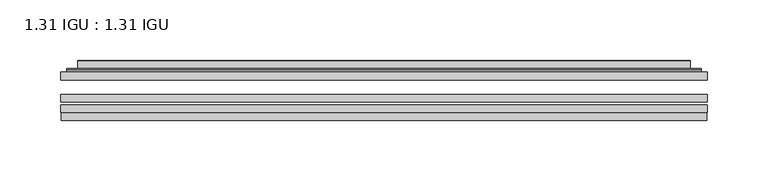
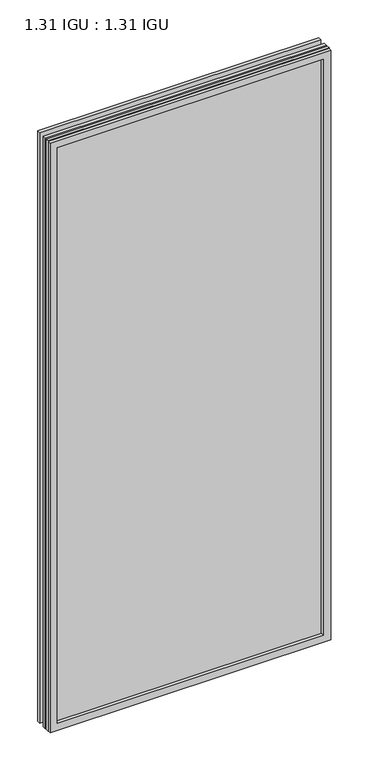
"""IFC4 building model written with IfcOpenShell, lengths in millimetres: plate geometry, 1.31 IGU : 1.31 IGU."""

from ifc_helpers import new_model, si_unit, frame, origin, place, context, project, spatial, polyline, ellipse_curve, outline, extrude, faceted_brep, source, transform, mapped, element, save
from ifc_brep_helpers import plane_surface, cylinder_surface, advanced_brep


def plate_1_31_igu_1_31_igu_0b64ee3a(model_context):
    return source(origin(), model_context, "Body", "SolidModel", [
        extrude(outline(polyline([(266.714175, -63.59525), (266.714175, -69.94525), (-266.7, -69.94525), (-266.7, -63.59525), (266.714175, -63.59525)])), frame((0.0, 0.0, -14.2875), z_axis=(0.0, 0.0, 1.0), x_axis=(1.0, 0.0, 0.0)), (0.0, 0.0, 1.0), 1184.2787979),
        extrude(outline(polyline([(-266.7, -78.58125), (-266.7, -72.230745), (266.714175, -72.230745), (266.714175, -78.58125), (-266.7, -78.58125)])), frame((0.0, 0.0, -14.2875), z_axis=(0.0, 0.0, 1.0), x_axis=(1.0, 0.0, 0.0)), (0.0, 0.0, 1.0), 1184.2787979),
        extrude(outline(polyline([(266.714175, -45.25645), (266.714175, -51.60645), (-266.7, -51.60645), (-266.7, -45.25645), (266.714175, -45.25645)])), frame((0.0, 0.0, -14.2875), z_axis=(0.0, 0.0, 1.0), x_axis=(1.0, 0.0, 0.0)), (0.0, 0.0, 1.0), 1184.2787979),
        faceted_brep([(-265.9998142, -84.93125, 1169.2873142), (-265.9998142, -78.58125, 1169.2873142), (-265.9998142, -78.58125, -13.5873142), (-265.9998142, -84.93125, -13.5873142), (265.9998142, -78.58125, -13.5873142), (265.9998142, -84.93125, -13.5873142), (265.9998142, -78.58125, 1169.2873142), (265.9998142, -84.93125, 1169.2873142), (-251.5147559, -78.58125, 0.8977441), (251.5147559, -78.58125, 0.8977441), (251.5147559, -78.58125, 1154.8022559), (-251.5147559, -78.58125, 1154.8022559), (-252.4071902, -84.93125, 1155.6946902), (252.4071902, -84.93125, 1155.6946902), (252.4071902, -84.93125, 0.0053098), (-252.4071902, -84.93125, 0.0053098)], [[[0, 1, 2, 3]], [[3, 2, 4, 5]], [[5, 4, 6, 7]], [[1, 6, 4, 2], [8, 9, 10, 11]], [[7, 6, 1, 0]], [[3, 5, 7, 0], [12, 13, 14, 15]], [[11, 12, 15, 8]], [[8, 15, 14, 9]], [[9, 14, 13, 10]], [[10, 13, 12, 11]]]),
        advanced_brep(
        [(-259.458719, -45.25645, 1162.746219), (-261.8129244, -43.2667833, 1165.1004244), (-261.8129244, -43.2667833, -9.4004244), (-259.458719, -45.25645, -7.046219), (-250.3843939, -41.416413, 1153.6718939), (-245.4495621, -45.25645, 1148.7370621), (-245.4495621, -45.25645, 6.9629379), (-250.3843939, -41.416413, 2.0281061), (-251.4164217, -36.0191819, 1154.7039217), (-251.4164217, -36.0191819, 0.9960783), (-252.4070784, -35.6202069, 1155.6945784), (-252.4070784, -35.6202069, 0.0054216), (-252.4070784, -42.08145, 1155.6945784), (-252.4070784, -42.08145, 0.0054216), (-260.8111349, -42.08145, 1164.0986349), (-260.8111349, -42.08145, -8.3986349), (261.8129244, -43.2667833, -9.4004244), (259.458719, -45.25645, -7.046219), (245.4495621, -45.25645, 6.9629379), (250.3843939, -41.416413, 2.0281061), (251.4164217, -36.0191819, 0.9960783), (252.4070784, -35.6202069, 0.0054216), (252.4070784, -42.08145, 0.0054216), (260.8111349, -42.08145, -8.3986349), (261.8129244, -43.2667833, 1165.1004244), (259.458719, -45.25645, 1162.746219), (245.4495621, -45.25645, 1148.7370621), (250.3843939, -41.416413, 1153.6718939), (251.4164217, -36.0191819, 1154.7039217), (252.4070784, -35.6202069, 1155.6945784), (252.4070784, -42.08145, 1155.6945784), (260.8111349, -42.08145, 1164.0986349)],
        [
            (0, 1, ellipse_curve(frame((-259.458719, -42.86885, 1162.746219), z_axis=(-0.7071067811865475, 0.0, -0.7071067811865475), x_axis=(-0.7071067811865474, 0.0, 0.7071067811865476)), 3.3765763, 2.3876)),
            (1, 2),
            (2, 3, ellipse_curve(frame((-259.458719, -42.86885, -7.046219), z_axis=(-0.7071067811865475, 0.0, 0.7071067811865475), x_axis=(0.7071067811865474, 0.0, 0.7071067811865476)), 3.3765763, 2.3876)),
            (3, 0),
            (4, 5),
            (5, 6),
            (6, 7),
            (7, 4),
            (8, 4),
            (7, 9),
            (9, 8),
            (10, 8, ellipse_curve(frame((-252.0401219, -36.1384423, 1155.3276219), z_axis=(-0.7071067811865475, 0.0, -0.7071067811865475), x_axis=(-0.7071067811865474, 0.0, 0.7071067811865476)), 0.8980256, 0.635)),
            (9, 11, ellipse_curve(frame((-252.0401219, -36.1384423, 0.3723781), z_axis=(-0.7071067811865475, 0.0, 0.7071067811865475), x_axis=(0.7071067811865474, 0.0, 0.7071067811865476)), 0.8980256, 0.635)),
            (11, 10),
            (12, 10),
            (11, 13),
            (13, 12),
            (1, 14, ellipse_curve(frame((-260.8111349, -43.09745, 1164.0986349), z_axis=(-0.7071067811865475, 0.0, -0.7071067811865475), x_axis=(-0.7071067811865474, 0.0, 0.7071067811865476)), 1.436841, 1.016)),
            (14, 15),
            (15, 2, ellipse_curve(frame((-260.8111349, -43.09745, -8.3986349), z_axis=(-0.7071067811865475, 0.0, 0.7071067811865475), x_axis=(0.7071067811865474, 0.0, 0.7071067811865476)), 1.436841, 1.016)),
            (2, 16),
            (16, 17, ellipse_curve(frame((259.458719, -42.86885, -7.046219), z_axis=(-0.7071067811865475, 0.0, -0.7071067811865475), x_axis=(-0.7071067811865476, 0.0, 0.7071067811865474)), 3.3765763, 2.3876)),
            (17, 3),
            (6, 18),
            (18, 19),
            (19, 7),
            (19, 20),
            (20, 9),
            (20, 21, ellipse_curve(frame((252.0401219, -36.1384423, 0.3723781), z_axis=(-0.7071067811865475, 0.0, -0.7071067811865475), x_axis=(-0.7071067811865476, 0.0, 0.7071067811865474)), 0.8980256, 0.635)),
            (21, 11),
            (21, 22),
            (22, 13),
            (15, 23),
            (23, 16, ellipse_curve(frame((260.8111349, -43.09745, -8.3986349), z_axis=(-0.7071067811865475, 0.0, -0.7071067811865475), x_axis=(-0.7071067811865476, 0.0, 0.7071067811865474)), 1.436841, 1.016)),
            (16, 24),
            (24, 25, ellipse_curve(frame((259.458719, -42.86885, 1162.746219), z_axis=(0.7071067811865475, 0.0, -0.7071067811865475), x_axis=(-0.7071067811865474, 0.0, -0.7071067811865476)), 3.3765763, 2.3876)),
            (25, 17),
            (18, 26),
            (26, 27),
            (27, 19),
            (27, 28),
            (28, 20),
            (28, 29, ellipse_curve(frame((252.0401219, -36.1384423, 1155.3276219), z_axis=(0.7071067811865475, 0.0, -0.7071067811865475), x_axis=(-0.7071067811865474, 0.0, -0.7071067811865476)), 0.8980256, 0.635)),
            (29, 21),
            (29, 30),
            (30, 22),
            (23, 31),
            (31, 24, ellipse_curve(frame((260.8111349, -43.09745, 1164.0986349), z_axis=(0.7071067811865475, 0.0, -0.7071067811865475), x_axis=(-0.7071067811865474, 0.0, -0.7071067811865476)), 1.436841, 1.016)),
            (24, 1),
            (0, 25),
            (5, 26),
            (4, 27),
            (8, 28),
            (10, 29),
            (12, 30),
            (14, 31),
        ],
        [
            cylinder_surface(frame((-259.458719, -42.86885, 1187.45), z_axis=(0.0, 0.0, 1.0), x_axis=(-1.0, 0.0, 0.0)), 2.3876),
            plane_surface(frame((-245.4495621, -45.25645, 1148.7370621), z_axis=(0.6141233906514794, 0.7892100234124821, 0.0), x_axis=(0.0, 0.0, -1.0))),
            plane_surface(frame((-250.3843939, -41.416413, 1153.6718939), z_axis=(0.9822050625507729, 0.18781164793386076, 0.0), x_axis=(0.0, 0.0, -1.0))),
            cylinder_surface(frame((-252.0401219, -36.1384423, 1187.45), z_axis=(0.0, 0.0, 1.0), x_axis=(-1.0, 0.0, 0.0)), 0.635),
            plane_surface(frame((-252.4070784, -35.6202069, 1155.6945784), z_axis=(-1.0, 0.0, 0.0), x_axis=(0.0, 0.0, -1.0))),
            cylinder_surface(frame((-260.8111349, -43.09745, 1187.45), z_axis=(0.0, 0.0, 1.0), x_axis=(-1.0, 0.0, 0.0)), 1.016),
            cylinder_surface(frame((-284.1625, -42.86885, -7.046219), z_axis=(-1.0, 0.0, 0.0), x_axis=(0.0, 0.0, -1.0)), 2.3876),
            plane_surface(frame((-245.4495621, -45.25645, 6.9629379), z_axis=(0.0, 0.7892100234124841, 0.6141233906514768), x_axis=(1.0, 0.0, 0.0))),
            plane_surface(frame((-250.3843939, -41.416413, 2.0281061), z_axis=(0.0, 0.18781164793386393, 0.9822050625507723), x_axis=(1.0, 0.0, 0.0))),
            cylinder_surface(frame((-284.1625, -36.1384423, 0.3723781), z_axis=(-1.0, 0.0, 0.0), x_axis=(0.0, 0.0, -1.0)), 0.635),
            plane_surface(frame((-252.4070784, -35.6202069, 0.0054216), z_axis=(0.0, 0.0, -1.0), x_axis=(1.0, 0.0, 0.0))),
            cylinder_surface(frame((-284.1625, -43.09745, -8.3986349), z_axis=(-1.0, 0.0, 0.0), x_axis=(0.0, 0.0, -1.0)), 1.016),
            cylinder_surface(frame((259.458719, -42.86885, -31.75), z_axis=(0.0, 0.0, -1.0), x_axis=(1.0, 0.0, 0.0)), 2.3876),
            plane_surface(frame((245.4495621, -45.25645, 6.9629379), z_axis=(-0.6141233906514743, 0.7892100234124861, 0.0), x_axis=(0.0, 0.0, 1.0))),
            plane_surface(frame((250.3843939, -41.416413, 2.0281061), z_axis=(-0.9822050625507718, 0.1878116479338671, 0.0), x_axis=(0.0, 0.0, 1.0))),
            cylinder_surface(frame((252.0401219, -36.1384423, -31.75), z_axis=(0.0, 0.0, -1.0), x_axis=(1.0, 0.0, 0.0)), 0.635),
            plane_surface(frame((252.4070784, -35.6202069, 0.0054216), z_axis=(1.0, 0.0, 0.0), x_axis=(0.0, 0.0, 1.0))),
            cylinder_surface(frame((260.8111349, -43.09745, -31.75), z_axis=(0.0, 0.0, -1.0), x_axis=(1.0, 0.0, 0.0)), 1.016),
            cylinder_surface(frame((284.1625, -42.86885, 1162.746219), z_axis=(1.0, 0.0, 0.0), x_axis=(0.0, 0.0, 1.0)), 2.3876),
            plane_surface(frame((259.458719, -45.25645, 1162.746219), z_axis=(0.0, -1.0, 0.0), x_axis=(-1.0, 0.0, 0.0))),
            plane_surface(frame((245.4495621, -45.25645, 1148.7370621), z_axis=(0.0, 0.7892100234124841, -0.6141233906514768), x_axis=(-1.0, 0.0, 0.0))),
            plane_surface(frame((250.3843939, -41.416413, 1153.6718939), z_axis=(0.0, 0.18781164793386393, -0.9822050625507723), x_axis=(-1.0, 0.0, 0.0))),
            cylinder_surface(frame((284.1625, -36.1384423, 1155.3276219), z_axis=(1.0, 0.0, 0.0), x_axis=(0.0, 0.0, 1.0)), 0.635),
            plane_surface(frame((252.4070784, -35.6202069, 1155.6945784), z_axis=(0.0, 0.0, 1.0), x_axis=(-1.0, 0.0, 0.0))),
            plane_surface(frame((252.4070784, -42.08145, 1155.6945784), z_axis=(0.0, 1.0, 0.0), x_axis=(-1.0, 0.0, 0.0))),
            cylinder_surface(frame((284.1625, -43.09745, 1164.0986349), z_axis=(1.0, 0.0, 0.0), x_axis=(0.0, 0.0, 1.0)), 1.016),
        ],
        [
            (0, [[1, 2, 3, 4]]),
            (1, [[5, 6, 7, 8]]),
            (2, [[9, -8, 10, 11]]),
            (3, [[12, -11, 13, 14]]),
            (4, [[15, -14, 16, 17]]),
            (5, [[18, 19, 20, -2]]),
            (6, [[-3, 21, 22, 23]]),
            (7, [[-7, 24, 25, 26]]),
            (8, [[-10, -26, 27, 28]]),
            (9, [[-13, -28, 29, 30]]),
            (10, [[-16, -30, 31, 32]]),
            (11, [[-20, 33, 34, -21]]),
            (12, [[-22, 35, 36, 37]]),
            (13, [[-25, 38, 39, 40]]),
            (14, [[-27, -40, 41, 42]]),
            (15, [[-29, -42, 43, 44]]),
            (16, [[-31, -44, 45, 46]]),
            (17, [[-34, 47, 48, -35]]),
            (18, [[-36, 49, -1, 50]]),
            (19, [[-23, -37, -50, -4], [51, -38, -24, -6]]),
            (20, [[-39, -51, -5, 52]]),
            (21, [[-41, -52, -9, 53]]),
            (22, [[-43, -53, -12, 54]]),
            (23, [[-45, -54, -15, 55]]),
            (24, [[56, -47, -33, -19], [-32, -46, -55, -17]]),
            (25, [[-48, -56, -18, -49]]),
        ],
    ),
    ])


if __name__ == "__main__":
    model = new_model("IFC4")
    model_context = context("Model", 3, world=origin())
    ifc_project = project(units=[si_unit("LENGTHUNIT", "METRE", prefix="MILLI")], contexts=[model_context])
    site = spatial("IfcSite", under=ifc_project)
    building = spatial("IfcBuilding", under=site)
    placement = place(None, origin())
    plate_1_31_igu_1_31_igu_shape = plate_1_31_igu_1_31_igu_0b64ee3a(model_context)
    element("IfcPlate", 1, ObjectType="1.31 IGU : 1.31 IGU", at=placement, inside=building, context=model_context, shape_type="MappedRepresentation", body=[
        mapped(plate_1_31_igu_1_31_igu_shape, transform((0.0, 0.0, 0.0), x_axis=(1.0, 0.0, 0.0), y_axis=(0.0, 1.0, 0.0), z_axis=(0.0, 0.0, 1.0))),
    ])
    save(model, "model.ifc")
